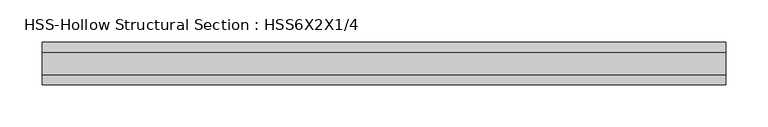
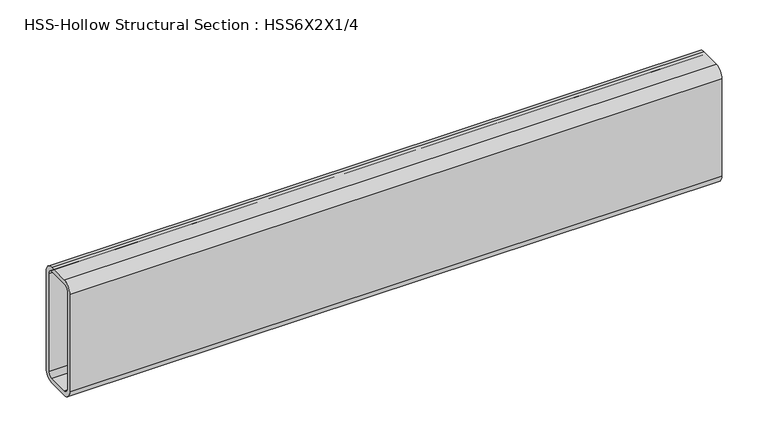
"""IFC4 building model written with IfcOpenShell, lengths in millimetres: beam geometry, HSS-Hollow Structural Section : HSS6X2X1/4."""

from ifc_helpers import new_model, si_unit, point, frame, frame_2d, origin, place, context, project, spatial, polyline, circle_curve, trimmed, segment, composite_curve, outline, extrude, source, transform, mapped, element, save


def hss_hollow_structural_section_hss6x2x1_4_a24b6ee4(model_context):
    return source(origin(), model_context, "Body", "SweptSolid", [
        extrude(outline(composite_curve([segment(polyline([(25.4, 64.3636), (25.4, -64.3636)]), True, "CONTINUOUS"), segment(trimmed(circle_curve(frame_2d((13.5636, -64.3636)), 11.8364), [point((25.4, -64.3636))], [point((13.5636, -76.2))], False, "CARTESIAN"), True, "CONTINUOUS"), segment(polyline([(13.5636, -76.2), (-13.5636, -76.2)]), True, "CONTINUOUS"), segment(trimmed(circle_curve(frame_2d((-13.5636, -64.3636)), 11.8364), [point((-13.5636, -76.2))], [point((-25.4, -64.3636))], False, "CARTESIAN"), True, "CONTINUOUS"), segment(polyline([(-25.4, -64.3636), (-25.4, 64.3636)]), True, "CONTINUOUS"), segment(trimmed(circle_curve(frame_2d((-13.5636, 64.3636)), 11.8364), [point((-25.4, 64.3636))], [point((-13.5636, 76.2))], False, "CARTESIAN"), True, "CONTINUOUS"), segment(polyline([(-13.5636, 76.2), (13.5636, 76.2)]), True, "CONTINUOUS"), segment(trimmed(circle_curve(frame_2d((13.5636, 64.3636)), 11.8364), [point((13.5636, 76.2))], [point((25.4, 64.3636))], False, "CARTESIAN"), True, "CONTINUOUS")], self_intersect=False), holes=[composite_curve([segment(trimmed(circle_curve(frame_2d((-13.5636, 64.3636)), 5.9182), [point((-13.5636, 70.2818))], [point((-19.4818, 64.3636))], True, "CARTESIAN"), True, "CONTINUOUS"), segment(polyline([(-19.4818, 64.3636), (-19.4818, -64.3636)]), True, "CONTINUOUS"), segment(trimmed(circle_curve(frame_2d((-13.5636, -64.3636)), 5.9182), [point((-19.4818, -64.3636))], [point((-13.5636, -70.2818))], True, "CARTESIAN"), True, "CONTINUOUS"), segment(polyline([(-13.5636, -70.2818), (13.5636, -70.2818)]), True, "CONTINUOUS"), segment(trimmed(circle_curve(frame_2d((13.5636, -64.3636)), 5.9182), [point((13.5636, -70.2818))], [point((19.4818, -64.3636))], True, "CARTESIAN"), True, "CONTINUOUS"), segment(polyline([(19.4818, -64.3636), (19.4818, 64.3636)]), True, "CONTINUOUS"), segment(trimmed(circle_curve(frame_2d((13.5636, 64.3636)), 5.9182), [point((19.4818, 64.3636))], [point((13.5636, 70.2818))], True, "CARTESIAN"), True, "CONTINUOUS"), segment(polyline([(13.5636, 70.2818), (-13.5636, 70.2818)]), True, "CONTINUOUS")], self_intersect=False)]), frame((-406.4, 0.0, 0.0), z_axis=(1.0, 0.0, 0.0), x_axis=(0.0, 1.0, 0.0)), (0.0, 0.0, 1.0), 812.8),
    ])


if __name__ == "__main__":
    model = new_model("IFC4")
    model_context = context("Model", 3, world=origin())
    ifc_project = project(units=[si_unit("LENGTHUNIT", "METRE", prefix="MILLI")], contexts=[model_context])
    site = spatial("IfcSite", under=ifc_project)
    building = spatial("IfcBuilding", under=site)
    placement = place(None, origin())
    hss_hollow_structural_section_hss6x2x1_4_shape = hss_hollow_structural_section_hss6x2x1_4_a24b6ee4(model_context)
    element("IfcBeam", 1, ObjectType="HSS-Hollow Structural Section : HSS6X2X1/4", at=placement, inside=building, context=model_context, shape_type="MappedRepresentation", body=[
        mapped(hss_hollow_structural_section_hss6x2x1_4_shape, transform((0.0, 0.0, 0.0), x_axis=(1.0, 0.0, 0.0), y_axis=(0.0, 1.0, 0.0), z_axis=(0.0, 0.0, 1.0))),
    ])
    save(model, "model.ifc")
